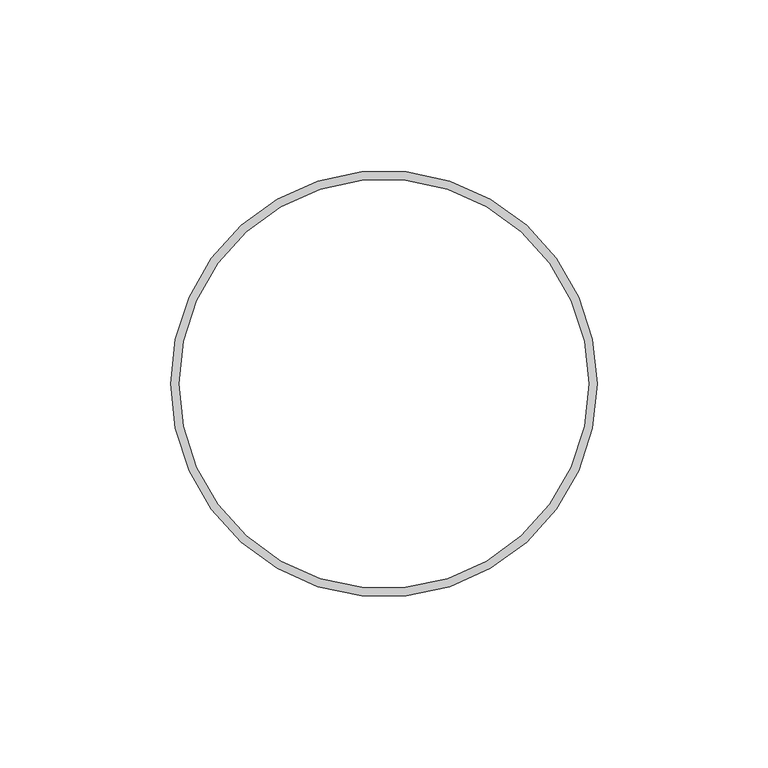
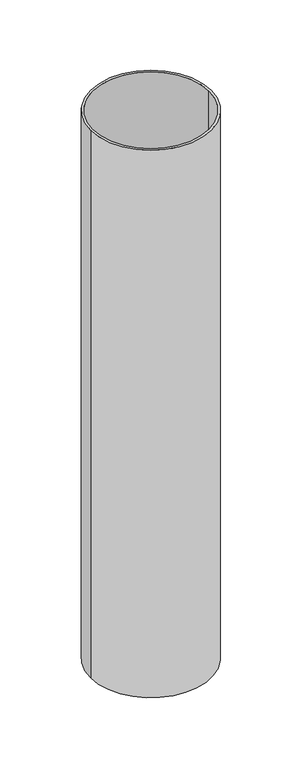
"""IFC4 building model written with IfcOpenShell, lengths in millimetres: beam geometry."""

from ifc_helpers import new_model, si_unit, point, frame, origin, origin_2d, place, context, project, spatial, circle_curve, trimmed, segment, composite_curve, outline, extrude, source, transform, mapped, element, save


def beam_9ee74289(model_context):
    return source(origin(), model_context, "Body", "SweptSolid", [
        extrude(outline(composite_curve([segment(trimmed(circle_curve(origin_2d(), 62.5), [point((62.5, 0.0))], [point((-62.5, 0.0))], False, "CARTESIAN"), True, "CONTINUOUS"), segment(trimmed(circle_curve(origin_2d(), 62.5), [point((-62.5, 0.0))], [point((62.5, 0.0))], False, "CARTESIAN"), True, "CONTINUOUS")], self_intersect=False), holes=[composite_curve([segment(trimmed(circle_curve(origin_2d(), 60.0), [point((60.0, 0.0))], [point((-60.0, 0.0))], True, "CARTESIAN"), True, "CONTINUOUS"), segment(trimmed(circle_curve(origin_2d(), 60.0), [point((-60.0, 0.0))], [point((60.0, 0.0))], True, "CARTESIAN"), True, "CONTINUOUS")], self_intersect=False)]), frame((0.0, 0.0, -600.0), z_axis=(0.0, 0.0, 1.0), x_axis=(1.0, 0.0, 0.0)), (0.0, 0.0, 1.0), 600.0),
    ])


if __name__ == "__main__":
    model = new_model("IFC4")
    model_context = context("Model", 3, world=origin())
    ifc_project = project(units=[si_unit("LENGTHUNIT", "METRE", prefix="MILLI")], contexts=[model_context])
    site = spatial("IfcSite", under=ifc_project)
    building = spatial("IfcBuilding", under=site)
    placement = place(None, origin())
    beam_shape = beam_9ee74289(model_context)
    element("IfcBeam", 1, at=placement, inside=building, context=model_context, shape_type="MappedRepresentation", body=[
        mapped(beam_shape, transform((0.0, 0.0, 0.0), x_axis=(1.0, 0.0, 0.0), y_axis=(0.0, 1.0, 0.0), z_axis=(0.0, 0.0, 1.0))),
    ])
    save(model, "model.ifc")
